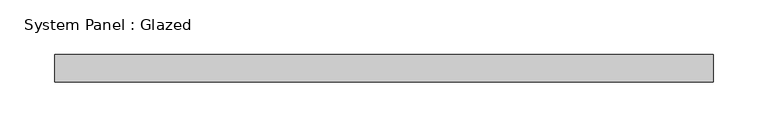
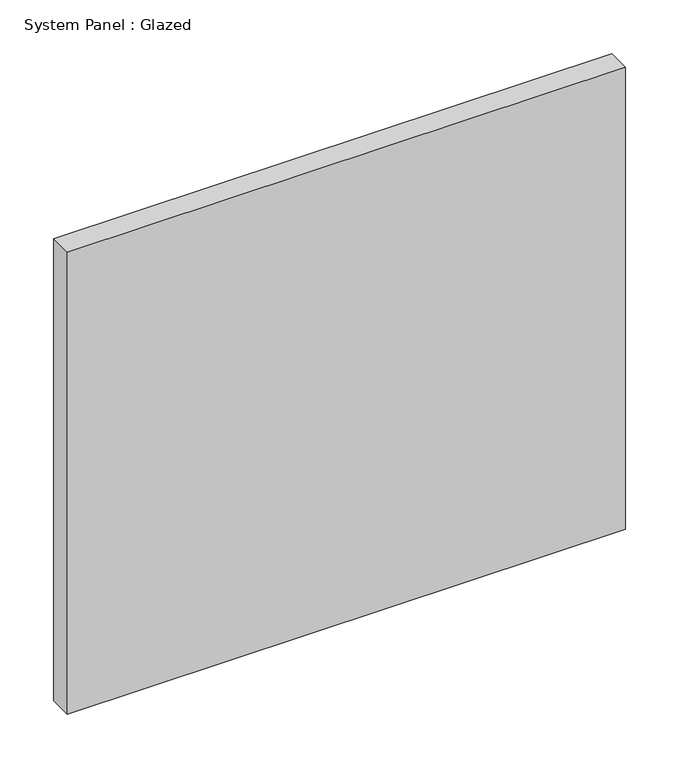
"""IFC4 building model written with IfcOpenShell, lengths in millimetres: plate geometry, System Panel : Glazed."""

from ifc_helpers import new_model, si_unit, origin, origin_with_axes, place, context, project, spatial, polyline, outline, extrude, source, transform, mapped, element, save


def system_panel_glazed_45542b35(model_context):
    return source(origin(), model_context, "Body", "SweptSolid", [
        extrude(outline(polyline([(300.0, -49.5), (-300.0, -49.5), (-300.0, -24.5), (300.0, -24.5), (300.0, -49.5)])), origin_with_axes(), (0.0, 0.0, 1.0), 525.0),
    ])


if __name__ == "__main__":
    model = new_model("IFC4")
    model_context = context("Model", 3, world=origin())
    ifc_project = project(units=[si_unit("LENGTHUNIT", "METRE", prefix="MILLI")], contexts=[model_context])
    site = spatial("IfcSite", under=ifc_project)
    building = spatial("IfcBuilding", under=site)
    placement = place(None, origin())
    system_panel_glazed_shape = system_panel_glazed_45542b35(model_context)
    element("IfcPlate", 1, ObjectType="System Panel : Glazed", at=placement, inside=building, context=model_context, shape_type="MappedRepresentation", body=[
        mapped(system_panel_glazed_shape, transform((0.0, 0.0, 0.0), x_axis=(1.0, 0.0, 0.0), y_axis=(0.0, 1.0, 0.0), z_axis=(0.0, 0.0, 1.0))),
    ])
    save(model, "model.ifc")
